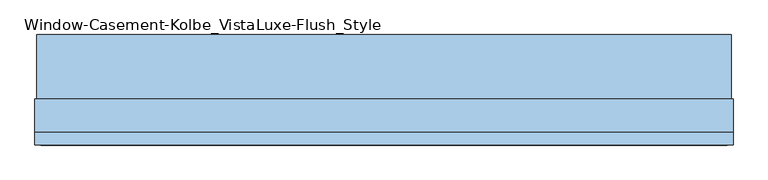
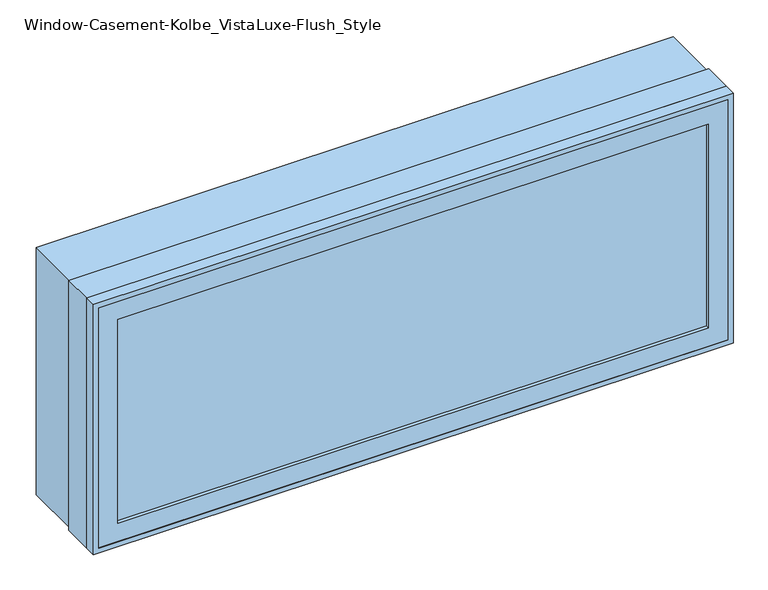
"""IFC4 building model written with IfcOpenShell, lengths in millimetres: window geometry, Window-Casement-Kolbe_VistaLuxe-Flush_Style."""

from ifc_helpers import new_model, si_unit, frame, origin, place, context, project, spatial, polyline, outline, extrude, faceted_brep, source, transform, mapped, element, save


def window_casement_kolbe_vistaluxe_flush_style_525e166f(model_context):
    return source(origin(), model_context, "Body", "SolidModel", [
        faceted_brep([(-685.8696599, -121.37898, 970.676875), (-685.8696599, -129.31648, 970.676875), (674.7765901, -129.31648, 970.676875), (674.7765901, -121.37898, 970.676875), (-701.7446599, -99.12858, 954.801875), (-701.7446599, -121.37898, 954.801875), (690.6515901, -121.37898, 954.801875), (690.6515901, -99.12858, 954.801875), (-685.8696599, -80.10398, 970.676875), (-685.8696599, -99.12858, 970.676875), (674.7765901, -99.12858, 970.676875), (674.7765901, -80.10398, 970.676875), (-730.3196599, -129.31648, 926.226875), (-730.3196599, -80.10398, 926.226875), (719.2265901, -80.10398, 926.226875), (719.2265901, -129.31648, 926.226875), (674.7765901, -129.31648, 1467.723125), (674.7765901, -121.37898, 1467.723125), (690.6515901, -121.37898, 1483.598125), (690.6515901, -99.12858, 1483.598125), (674.7765901, -99.12858, 1467.723125), (674.7765901, -80.10398, 1467.723125), (719.2265901, -80.10398, 1512.173125), (719.2265901, -129.31648, 1512.173125), (-685.8696599, -129.31648, 1467.723125), (-685.8696599, -121.37898, 1467.723125), (-701.7446599, -121.37898, 1483.598125), (-701.7446599, -99.12858, 1483.598125), (-685.8696599, -99.12858, 1467.723125), (-685.8696599, -80.10398, 1467.723125), (-730.3196599, -80.10398, 1512.173125), (-730.3196599, -129.31648, 1512.173125)], [[[0, 1, 2, 3]], [[4, 5, 6, 7]], [[8, 9, 10, 11]], [[12, 13, 14, 15]], [[3, 2, 16, 17]], [[7, 6, 18, 19]], [[11, 10, 20, 21]], [[15, 14, 22, 23]], [[17, 16, 24, 25]], [[19, 18, 26, 27]], [[21, 20, 28, 29]], [[23, 22, 30, 31]], [[25, 24, 1, 0]], [[5, 26, 18, 6], [3, 17, 25, 0]], [[27, 26, 5, 4]], [[7, 19, 27, 4], [9, 28, 20, 10]], [[29, 28, 9, 8]], [[13, 30, 22, 14], [11, 21, 29, 8]], [[31, 30, 13, 12]], [[15, 23, 31, 12], [1, 24, 16, 2]]]),
        extrude(outline(polyline([(1520.4186, 727.4720651), (1520.4186, -738.5651349), (917.9814, -738.5651349), (917.9814, 727.4720651), (1520.4186, 727.4720651)]), holes=[polyline([(936.545625, 708.9078401), (936.545625, -720.0009099), (1501.854375, -720.0009099), (1501.854375, 708.9078401), (936.545625, 708.9078401)])]), frame((0.0, -32.5247, 0.0), z_axis=(0.0, 1.0, 0.0), x_axis=(0.0, 0.0, 1.0)), (0.0, 0.0, 1.0), 135.7122),
        extrude(outline(polyline([(1524.0, -742.1465349), (914.4, -742.1465349), (914.4, 731.0534651), (1524.0, 731.0534651), (1524.0, -742.1465349)]), holes=[polyline([(1512.173125, 719.2265901), (926.226875, 719.2265901), (926.226875, -730.3196599), (1512.173125, -730.3196599), (1512.173125, 719.2265901)])]), frame((0.0, -130.1115, 0.0), z_axis=(0.0, 1.0, 0.0), x_axis=(0.0, 0.0, 1.0)), (0.0, 0.0, 1.0), 26.924),
        faceted_brep([(731.0534651, -32.5247, 914.4), (731.0534651, -103.1875, 914.4), (-742.1465349, -103.1875, 914.4), (-742.1465349, -32.5247, 914.4), (708.9078401, -80.10525, 936.545625), (708.9078401, -32.5247, 936.545625), (-720.0009099, -32.5247, 936.545625), (-720.0009099, -80.10525, 936.545625), (719.2265901, -103.1875, 926.226875), (719.2265901, -80.10525, 926.226875), (-730.3196599, -80.10525, 926.226875), (-730.3196599, -103.1875, 926.226875), (-742.1465349, -103.1875, 1524.0), (-742.1465349, -32.5247, 1524.0), (-720.0009099, -32.5247, 1501.854375), (-720.0009099, -80.10525, 1501.854375), (-730.3196599, -80.10525, 1512.173125), (-730.3196599, -103.1875, 1512.173125), (731.0534651, -103.1875, 1524.0), (731.0534651, -32.5247, 1524.0), (708.9078401, -32.5247, 1501.854375), (708.9078401, -80.10525, 1501.854375), (719.2265901, -80.10525, 1512.173125), (719.2265901, -103.1875, 1512.173125)], [[[0, 1, 2, 3]], [[4, 5, 6, 7]], [[8, 9, 10, 11]], [[3, 2, 12, 13]], [[7, 6, 14, 15]], [[11, 10, 16, 17]], [[13, 12, 18, 19]], [[15, 14, 20, 21]], [[17, 16, 22, 23]], [[19, 18, 1, 0]], [[3, 13, 19, 0], [5, 20, 14, 6]], [[21, 20, 5, 4]], [[9, 22, 16, 10], [7, 15, 21, 4]], [[23, 22, 9, 8]], [[1, 18, 12, 2], [11, 17, 23, 8]]]),
        extrude(outline(polyline([(687.4765901, -102.30358), (-698.5696599, -102.30358), (-698.5696599, -99.12858), (687.4765901, -99.12858), (687.4765901, -102.30358)])), frame((0.0, 0.0, 957.976875), z_axis=(0.0, 0.0, 1.0), x_axis=(1.0, 0.0, 0.0)), (0.0, 0.0, 1.0), 522.44625),
        extrude(outline(polyline([(687.4765901, -118.20398), (687.4765901, -121.37898), (-698.5696599, -121.37898), (-698.5696599, -118.20398), (687.4765901, -118.20398)])), frame((0.0, 0.0, 957.976875), z_axis=(0.0, 0.0, 1.0), x_axis=(1.0, 0.0, 0.0)), (0.0, 0.0, 1.0), 522.44625),
        extrude(outline(polyline([(936.545625, 708.9078401), (1501.854375, 708.9078401), (1501.854375, -720.0009099), (936.545625, -720.0009099), (936.545625, 708.9078401)]), holes=[polyline([(954.801875, -701.7446599), (1483.598125, -701.7446599), (1483.598125, 690.6515901), (954.801875, 690.6515901), (954.801875, -701.7446599)])]), frame((0.0, -80.10525, 0.0), z_axis=(0.0, 1.0, 0.0), x_axis=(0.0, 0.0, 1.0)), (0.0, 0.0, 1.0), 50.8),
    ])


if __name__ == "__main__":
    model = new_model("IFC4")
    model_context = context("Model", 3, world=origin())
    ifc_project = project(units=[si_unit("LENGTHUNIT", "METRE", prefix="MILLI")], contexts=[model_context])
    site = spatial("IfcSite", under=ifc_project)
    building = spatial("IfcBuilding", under=site)
    placement = place(None, origin())
    window_casement_kolbe_vistaluxe_flush_style_shape = window_casement_kolbe_vistaluxe_flush_style_525e166f(model_context)
    element("IfcWindow", 1, ObjectType="Window-Casement-Kolbe_VistaLuxe-Flush_Style", at=placement, inside=building, context=model_context, shape_type="MappedRepresentation", body=[
        mapped(window_casement_kolbe_vistaluxe_flush_style_shape, transform((0.0, 0.0, 0.0), x_axis=(1.0, 0.0, 0.0), y_axis=(0.0, 1.0, 0.0), z_axis=(0.0, 0.0, 1.0))),
    ])
    save(model, "model.ifc")
